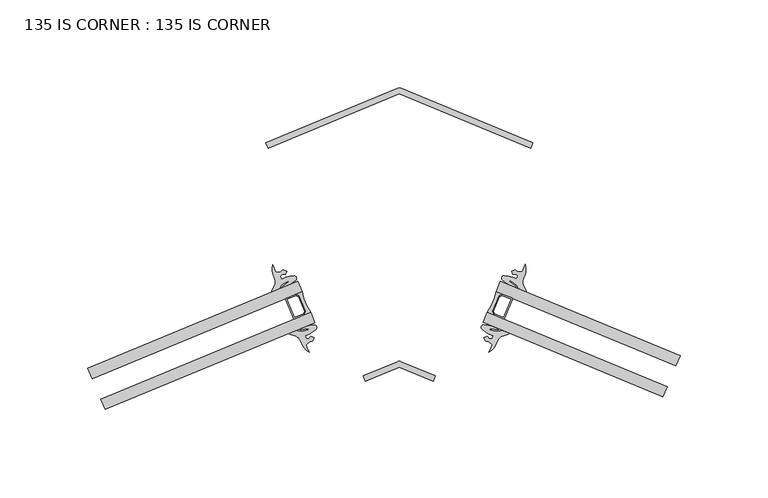
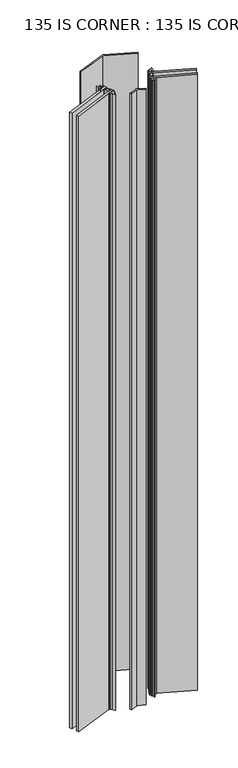
"""IFC4 building model written with IfcOpenShell, lengths in millimetres: plate geometry, 135 IS CORNER : 135 IS CORNER."""

from ifc_helpers import new_model, si_unit, point, frame_2d, origin, origin_with_axes, place, context, project, spatial, polyline, circle_curve, trimmed, segment, composite_curve, outline, extrude, source, transform, mapped, element, save


def plate_135_is_corner_135_is_corner_17a58135(model_context):
    return source(origin(), model_context, "Body", "SweptSolid", [
        extrude(outline(composite_curve([segment(trimmed(circle_curve(frame_2d((-232.9080441, 1.451948)), 25.796875), [point((-258.4393616, -2.2400143))], [point((-253.5837331, -13.9751271))], True, "CARTESIAN"), True, "CONTINUOUS"), segment(polyline([(-253.5837331, -13.9751271), (-257.2509558, -15.492511), (-256.3910203, -13.4186683), (-260.0327417, -4.6173338), (-262.1065844, -3.7573982), (-258.4393616, -2.2400143)]), True, "CONTINUOUS")], self_intersect=False)), origin_with_axes(), (0.0, 0.0, 1.0), 1710.2666667),
        extrude(outline(composite_curve([segment(trimmed(circle_curve(frame_2d((-262.6885445, -16.8834039)), 0.79375), [point((-262.3850677, -17.6168485))], [point((-263.421989, -17.1868807))], False, "CARTESIAN"), True, "CONTINUOUS"), segment(polyline([(-263.421989, -17.1868807), (-267.670664, -6.918657)]), True, "CONTINUOUS"), segment(trimmed(circle_curve(frame_2d((-266.9372194, -6.6151803)), 0.79375), [point((-267.670664, -6.918657))], [point((-267.2406962, -5.8817357))], False, "CARTESIAN"), True, "CONTINUOUS"), segment(polyline([(-267.2406962, -5.8817357), (-262.1065844, -3.7573982), (-260.0327417, -4.6173338), (-256.3910203, -13.4186683), (-257.2509558, -15.492511), (-262.3850677, -17.6168485)]), True, "CONTINUOUS")], self_intersect=False), holes=[polyline([(-266.9372194, -6.6151803), (-262.6885445, -16.8834039), (-257.8582353, -14.8847706), (-257.2501691, -13.4183424), (-260.6404821, -5.2246132), (-262.1069103, -4.616547), (-266.9372194, -6.6151803)])]), origin_with_axes(), (0.0, 0.0, 1.0), 1710.2666667),
        extrude(outline(composite_curve([segment(trimmed(circle_curve(frame_2d((-173.7305241, 1.5370915)), 25.796875), [point((-153.0606885, -13.8978253))], [point((-148.2006089, -2.1645552))], True, "CARTESIAN"), True, "CONTINUOUS"), segment(polyline([(-148.2006089, -2.1645552), (-144.533962, -3.6833301), (-146.6081307, -4.5424789), (-150.2531904, -13.3424314), (-149.3940416, -15.4166001), (-153.0606885, -13.8978253)]), True, "CONTINUOUS")], self_intersect=False)), origin_with_axes(), (0.0, 0.0, 1.0), 1710.2666667),
        extrude(outline(composite_curve([segment(trimmed(circle_curve(frame_2d((-139.7044113, -6.5429443)), 0.79375), [point((-139.4006564, -5.8096149))], [point((-138.971082, -6.8466992))], False, "CARTESIAN"), True, "CONTINUOUS"), segment(polyline([(-138.971082, -6.8466992), (-143.2236516, -17.1133105)]), True, "CONTINUOUS"), segment(trimmed(circle_curve(frame_2d((-143.956981, -16.8095556)), 0.79375), [point((-143.2236516, -17.1133105))], [point((-144.260736, -17.542885))], False, "CARTESIAN"), True, "CONTINUOUS"), segment(polyline([(-144.260736, -17.542885), (-149.3940416, -15.4166001), (-150.2531904, -13.3424314), (-146.6081307, -4.5424789), (-144.533962, -3.6833301), (-139.4006564, -5.8096149)]), True, "CONTINUOUS")], self_intersect=False), holes=[polyline([(-143.956981, -16.8095556), (-139.7044113, -6.5429443), (-144.533962, -4.5424789), (-146.0006208, -5.1499888), (-149.3940416, -13.3424314), (-148.7865317, -14.8090902), (-143.956981, -16.8095556)])]), origin_with_axes(), (0.0, 0.0, 1.0), 1710.2666667),
        extrude(outline(polyline([(-251.1559188, -19.8426835), (-370.491189, -69.2199459), (-372.9190032, -63.3523895), (-253.5837331, -13.9751271), (-251.1559188, -19.8426835)])), origin_with_axes(), (0.0, 0.0, 1.0), 1710.2666667),
        extrude(outline(polyline([(-258.4393616, -2.2400143), (-377.7746318, -51.6172767), (-380.202446, -45.7497204), (-260.8671759, 3.6275421), (-258.4393616, -2.2400143)])), origin_with_axes(), (0.0, 0.0, 1.0), 1710.2666667),
        extrude(outline(polyline([(-53.2945844, -62.0954891), (-155.4907283, -19.7644603), (-153.0606885, -13.8978253), (-50.8645446, -56.2288541), (-53.2945844, -62.0954891)])), origin_with_axes(), (0.0, 0.0, 1.0), 1710.2666667),
        extrude(outline(polyline([(-46.004465, -44.495584), (-148.2006089, -2.1645552), (-145.7705691, 3.7020798), (-43.5744252, -38.628949), (-46.004465, -44.495584)])), origin_with_axes(), (0.0, 0.0, 1.0), 1710.2666667),
        extrude(outline(composite_curve([segment(polyline([(-127.2007753, 82.3429164), (-128.4162952, 79.4098061), (-203.1644423, 110.3696833), (-277.8360454, 79.34693), (-279.0519767, 82.2798698), (-203.9998332, 113.3948159)]), True, "CONTINUOUS"), segment(trimmed(circle_curve(frame_2d((-203.0854528, 111.1892452)), 2.3876), [point((-203.9998332, 113.3948159))], [point((-202.1626282, 113.3912962))], False, "CARTESIAN"), True, "CONTINUOUS"), segment(polyline([(-202.1626282, 113.3912962), (-127.2007753, 82.3429164)]), True, "CONTINUOUS")], self_intersect=False)), origin_with_axes(), (0.0, 0.0, 1.0), 1710.2666667),
        extrude(outline(composite_curve([segment(polyline([(-182.7520712, -50.1642509), (-183.9668782, -53.0976564), (-203.2434176, -45.1331169), (-222.4588771, -53.1132086), (-223.6751462, -50.180409), (-204.12292, -42.0755809)]), True, "CONTINUOUS"), segment(trimmed(circle_curve(frame_2d((-203.2086444, -44.281195)), 2.3876), [point((-204.12292, -42.0755809))], [point((-202.295529, -42.0751003))], False, "CARTESIAN"), True, "CONTINUOUS"), segment(polyline([(-202.295529, -42.0751003), (-182.7520712, -50.1642509)]), True, "CONTINUOUS")], self_intersect=False)), origin_with_axes(), (0.0, 0.0, 1.0), 1710.2666667),
        extrude(outline(composite_curve([segment(trimmed(circle_curve(frame_2d((-262.4102492, -10.768385)), 17.5118633), [point((-250.4988808, -23.6052327))], [point((-254.5253278, -26.4046688))], False, "CARTESIAN"), True, "CONTINUOUS"), segment(polyline([(-254.5253278, -26.4046688), (-256.7714944, -27.3340634), (-256.0592051, -29.0555284), (-254.5877223, -29.0497924), (-253.4556316, -27.5761709), (-251.6053529, -28.4859112), (-252.6052462, -30.4409386), (-254.1254738, -30.6421234), (-256.2147532, -32.4035335), (-255.7372855, -33.8813007), (-254.4543178, -36.6658303)]), True, "CONTINUOUS"), segment(trimmed(circle_curve(frame_2d((-247.8193863, -26.4322234)), 12.196271), [point((-254.4543178, -36.6658303))], [point((-259.2267091, -30.7475466))], False, "CARTESIAN"), True, "CONTINUOUS"), segment(trimmed(circle_curve(frame_2d((-263.831569, -31.9759761)), 4.765897), [point((-259.2267091, -30.7475466))], [point((-261.8851073, -27.6256817))], True, "CARTESIAN"), True, "CONTINUOUS"), segment(polyline([(-261.8851073, -27.6256817), (-265.4168708, -26.4603499)]), True, "CONTINUOUS"), segment(trimmed(circle_curve(frame_2d((-265.241415, -26.1043653)), 0.396875), [point((-265.4168708, -26.4603499))], [point((-265.3931534, -25.737643))], False, "CARTESIAN"), True, "CONTINUOUS"), segment(polyline([(-265.3931534, -25.737643), (-262.3445922, -24.5196667)]), True, "CONTINUOUS"), segment(trimmed(circle_curve(frame_2d((-261.6669984, -26.4283803)), 2.0254186), [point((-262.3445922, -24.5196667))], [point((-261.1428831, -24.4719489))], False, "CARTESIAN"), True, "CONTINUOUS"), segment(polyline([(-261.1428831, -24.4719489), (-259.3624972, -24.7936727)]), True, "CONTINUOUS"), segment(trimmed(circle_curve(frame_2d((-259.4827812, -12.9431255)), 11.8511576), [point((-259.3624972, -24.7936727))], [point((-257.9758736, -24.698089))], True, "CARTESIAN"), True, "CONTINUOUS"), segment(polyline([(-257.9758736, -24.698089), (-254.9500129, -23.9197149)]), True, "CONTINUOUS"), segment(trimmed(circle_curve(frame_2d((-255.0180792, -23.6551134)), 0.2732159), [point((-254.9500129, -23.9197149))], [point((-255.0861454, -23.390512))], True, "CARTESIAN"), True, "CONTINUOUS"), segment(polyline([(-255.0861454, -23.390512), (-259.289212, -23.9467399)]), True, "CONTINUOUS"), segment(trimmed(circle_curve(frame_2d((-259.3510231, -23.6300207)), 0.3226944), [point((-259.289212, -23.9467399))], [point((-259.4850541, -23.3364779))], False, "CARTESIAN"), True, "CONTINUOUS"), segment(polyline([(-259.4850541, -23.3364779), (-256.3342792, -22.0327842)]), True, "CONTINUOUS"), segment(trimmed(circle_curve(frame_2d((-250.6737823, -40.3790674)), 19.1996701), [point((-256.3342792, -22.0327842))], [point((-251.4953405, -21.1969827))], False, "CARTESIAN"), True, "CONTINUOUS"), segment(trimmed(circle_curve(frame_2d((-251.4549225, -22.5905361)), 1.3941395), [point((-251.4953405, -21.1969827))], [point((-250.4988808, -23.6052327))], False, "CARTESIAN"), True, "CONTINUOUS")], self_intersect=False)), origin_with_axes(), (0.0, 0.0, 1.0), 1710.2666667),
        extrude(outline(composite_curve([segment(trimmed(circle_curve(frame_2d((-263.010041, 5.3359449)), 1.3941395), [point((-263.050459, 6.7294984))], [point((-262.0539992, 4.3212483))], False, "CARTESIAN"), True, "CONTINUOUS"), segment(trimmed(circle_curve(frame_2d((-275.0261174, 18.4758052)), 19.1996701), [point((-262.0539992, 4.3212483))], [point((-266.0687928, 1.4936479))], False, "CARTESIAN"), True, "CONTINUOUS"), segment(polyline([(-266.0687928, 1.4936479), (-269.2195677, 0.1899542)]), True, "CONTINUOUS"), segment(trimmed(circle_curve(frame_2d((-269.3321302, 0.4923801)), 0.3226944), [point((-269.2195677, 0.1899542))], [point((-269.5121744, 0.7601781))], False, "CARTESIAN"), True, "CONTINUOUS"), segment(polyline([(-269.5121744, 0.7601781), (-266.1448896, 3.3363286)]), True, "CONTINUOUS"), segment(trimmed(circle_curve(frame_2d((-266.2836824, 3.5716655)), 0.2732159), [point((-266.1448896, 3.3363286))], [point((-266.4224753, 3.8070025))], True, "CARTESIAN"), True, "CONTINUOUS"), segment(polyline([(-266.4224753, 3.8070025), (-269.1136804, 2.2198307)]), True, "CONTINUOUS"), segment(trimmed(circle_curve(frame_2d((-261.874327, -7.1632231)), 11.8511576), [point((-269.1136804, 2.2198307))], [point((-270.1624515, 1.3077231))], True, "CARTESIAN"), True, "CONTINUOUS"), segment(polyline([(-270.1624515, 1.3077231), (-271.1950087, -0.1779101)]), True, "CONTINUOUS"), segment(trimmed(circle_curve(frame_2d((-272.9482513, 0.8362207)), 2.0254186), [point((-271.1950087, -0.1779101))], [point((-272.0791058, -0.9932346))], False, "CARTESIAN"), True, "CONTINUOUS"), segment(polyline([(-272.0791058, -0.9932346), (-275.0969846, -2.2853645)]), True, "CONTINUOUS"), segment(trimmed(circle_curve(frame_2d((-275.248723, -1.9186423)), 0.396875), [point((-275.0969846, -2.2853645))], [point((-275.6244111, -1.790704))], False, "CARTESIAN"), True, "CONTINUOUS"), segment(polyline([(-275.6244111, -1.790704), (-273.948572, 1.5293735)]), True, "CONTINUOUS"), segment(trimmed(circle_curve(frame_2d((-278.39976, 3.2325172)), 4.765897), [point((-273.948572, 1.5293735))], [point((-274.2731915, 5.6168841))], True, "CARTESIAN"), True, "CONTINUOUS"), segment(trimmed(circle_curve(frame_2d((-263.1518006, 10.6232493)), 12.196271), [point((-274.2731915, 5.6168841))], [point((-275.0777246, 13.1769454))], False, "CARTESIAN"), True, "CONTINUOUS"), segment(polyline([(-275.0777246, 13.1769454), (-274.0181423, 10.2999859), (-273.3118728, 8.9168898), (-270.588849, 9.1466627), (-269.3709194, 10.0784431), (-267.2819879, 9.4014763), (-267.9485294, 7.4503532), (-269.7908624, 7.6932497), (-270.8361999, 6.657603), (-270.1239106, 4.936138), (-267.8777441, 5.8655326)]), True, "CONTINUOUS"), segment(trimmed(circle_curve(frame_2d((-262.4093226, -10.7706245)), 17.5118633), [point((-267.8777441, 5.8655326))], [point((-263.050459, 6.7294984))], False, "CARTESIAN"), True, "CONTINUOUS")], self_intersect=False)), origin_with_axes(), (0.0, 0.0, 1.0), 1710.2666667),
        extrude(outline(composite_curve([segment(trimmed(circle_curve(frame_2d((-155.192767, -22.5124262)), 1.3941395), [point((-156.1491935, -23.52676))], [point((-155.1518204, -21.1188881))], False, "CARTESIAN"), True, "CONTINUOUS"), segment(trimmed(circle_curve(frame_2d((-155.9806547, -40.3006598)), 19.1996701), [point((-155.1518204, -21.1188881))], [point((-150.3131991, -21.9565251))], False, "CARTESIAN"), True, "CONTINUOUS"), segment(polyline([(-150.3131991, -21.9565251), (-147.1629189, -23.2614139)]), True, "CONTINUOUS"), segment(trimmed(circle_curve(frame_2d((-147.2970613, -23.5549058)), 0.3226944), [point((-147.1629189, -23.2614139))], [point((-147.3589925, -23.8716016))], False, "CARTESIAN"), True, "CONTINUOUS"), segment(polyline([(-147.3589925, -23.8716016), (-151.5618478, -23.3137794)]), True, "CONTINUOUS"), segment(trimmed(circle_curve(frame_2d((-151.6300144, -23.578355)), 0.2732159), [point((-151.5618478, -23.3137794))], [point((-151.698181, -23.8429306))], True, "CARTESIAN"), True, "CONTINUOUS"), segment(polyline([(-151.698181, -23.8429306), (-148.6726158, -24.6224525)]), True, "CONTINUOUS"), segment(trimmed(circle_curve(frame_2d((-147.1612494, -12.8680615)), 11.8511576), [point((-148.6726158, -24.6224525))], [point((-147.2860286, -24.7185622))], True, "CARTESIAN"), True, "CONTINUOUS"), segment(polyline([(-147.2860286, -24.7185622), (-145.5055208, -24.3975137)]), True, "CONTINUOUS"), segment(trimmed(circle_curve(frame_2d((-144.9821476, -26.3541437)), 2.0254186), [point((-145.5055208, -24.3975137))], [point((-144.3038298, -24.4456874))], False, "CARTESIAN"), True, "CONTINUOUS"), segment(polyline([(-144.3038298, -24.4456874), (-141.2557308, -25.66482)]), True, "CONTINUOUS"), segment(trimmed(circle_curve(frame_2d((-141.4076083, -26.0314847)), 0.396875), [point((-141.2557308, -25.66482))], [point((-141.2322876, -26.3875358))], False, "CARTESIAN"), True, "CONTINUOUS"), segment(polyline([(-141.2322876, -26.3875358), (-144.7644929, -27.5515278)]), True, "CONTINUOUS"), segment(trimmed(circle_curve(frame_2d((-142.8196815, -31.9025602)), 4.765897), [point((-144.7644929, -27.5515278))], [point((-147.4240751, -30.6723841))], True, "CARTESIAN"), True, "CONTINUOUS"), segment(trimmed(circle_curve(frame_2d((-158.8297601, -26.3527341)), 12.196271), [point((-147.4240751, -30.6723841))], [point((-152.1987109, -36.5888571))], False, "CARTESIAN"), True, "CONTINUOUS"), segment(polyline([(-152.1987109, -36.5888571), (-150.9146871, -33.8048144), (-150.4366589, -32.3272284), (-152.5252701, -30.5650259), (-154.0454212, -30.3632644), (-155.0445729, -28.4078579), (-153.1939492, -27.4988195), (-152.0624175, -28.9728703), (-150.590937, -28.9791645), (-149.8779948, -27.2579698), (-152.1238087, -26.3277233)]), True, "CONTINUOUS"), segment(trimmed(circle_curve(frame_2d((-144.2329566, -10.6944316)), 17.5118633), [point((-152.1238087, -26.3277233))], [point((-156.1491935, -23.52676))], False, "CARTESIAN"), True, "CONTINUOUS")], self_intersect=False)), origin_with_axes(), (0.0, 0.0, 1.0), 1710.2666667),
        extrude(outline(composite_curve([segment(trimmed(circle_curve(frame_2d((-144.2338841, -10.6966707)), 17.5118633), [point((-143.5861095, 6.8032077))], [point((-138.7591525, 5.9374109))], False, "CARTESIAN"), True, "CONTINUOUS"), segment(polyline([(-138.7591525, 5.9374109), (-136.5133387, 5.0071644), (-135.8003965, 6.728359), (-136.845341, 7.7644022), (-138.6877661, 7.5222046), (-139.3535674, 9.4735803), (-137.2643793, 10.1497547), (-136.0468032, 9.2175124), (-133.3238667, 8.9867066), (-132.6170726, 10.3695347), (-131.5563991, 13.2460921)]), True, "CONTINUOUS"), segment(trimmed(circle_curve(frame_2d((-143.4832909, 10.69692)), 12.196271), [point((-131.5563991, 13.2460921))], [point((-132.3637999, 5.6863365))], False, "CARTESIAN"), True, "CONTINUOUS"), segment(trimmed(circle_curve(frame_2d((-128.2381361, 3.3004045)), 4.765897), [point((-132.3637999, 5.6863365))], [point((-132.6899699, 1.5989493))], True, "CARTESIAN"), True, "CONTINUOUS"), segment(polyline([(-132.6899699, 1.5989493), (-131.0153902, -1.7217637)]), True, "CONTINUOUS"), segment(trimmed(circle_curve(frame_2d((-131.3911269, -1.8495594)), 0.396875), [point((-131.0153902, -1.7217637))], [point((-131.5430044, -2.2162241))], False, "CARTESIAN"), True, "CONTINUOUS"), segment(polyline([(-131.5430044, -2.2162241), (-134.5603928, -0.9229495)]), True, "CONTINUOUS"), segment(trimmed(circle_curve(frame_2d((-133.6905534, 0.906176)), 2.0254186), [point((-134.5603928, -0.9229495))], [point((-135.4441805, -0.1072896))], False, "CARTESIAN"), True, "CONTINUOUS"), segment(polyline([(-135.4441805, -0.1072896), (-136.4761741, 1.3787351)]), True, "CONTINUOUS"), segment(trimmed(circle_curve(frame_2d((-144.7675113, -7.0890666)), 11.8511576), [point((-136.4761741, 1.3787351))], [point((-137.5245992, 2.2912405))], True, "CARTESIAN"), True, "CONTINUOUS"), segment(polyline([(-137.5245992, 2.2912405), (-140.215202, 3.8794329)]), True, "CONTINUOUS"), segment(trimmed(circle_curve(frame_2d((-140.3540842, 3.6441487)), 0.2732159), [point((-140.215202, 3.8794329))], [point((-140.4929663, 3.4088644))], True, "CARTESIAN"), True, "CONTINUOUS"), segment(polyline([(-140.4929663, 3.4088644), (-137.1266589, 0.8314368)]), True, "CONTINUOUS"), segment(trimmed(circle_curve(frame_2d((-137.3068047, 0.5637071)), 0.3226944), [point((-137.1266589, 0.8314368))], [point((-137.4194818, 0.2613239))], False, "CARTESIAN"), True, "CONTINUOUS"), segment(polyline([(-137.4194818, 0.2613239), (-140.5697621, 1.5662127)]), True, "CONTINUOUS"), segment(trimmed(circle_curve(frame_2d((-131.6059963, 18.5449711)), 19.1996701), [point((-140.5697621, 1.5662127))], [point((-144.5834827, 4.3953359))], False, "CARTESIAN"), True, "CONTINUOUS"), segment(trimmed(circle_curve(frame_2d((-143.6270562, 5.4096697)), 1.3941395), [point((-144.5834827, 4.3953359))], [point((-143.5861095, 6.8032077))], False, "CARTESIAN"), True, "CONTINUOUS")], self_intersect=False)), origin_with_axes(), (0.0, 0.0, 1.0), 1710.2666667),
    ])


if __name__ == "__main__":
    model = new_model("IFC4")
    model_context = context("Model", 3, world=origin())
    ifc_project = project(units=[si_unit("LENGTHUNIT", "METRE", prefix="MILLI")], contexts=[model_context])
    site = spatial("IfcSite", under=ifc_project)
    building = spatial("IfcBuilding", under=site)
    placement = place(None, origin())
    plate_135_is_corner_135_is_corner_shape = plate_135_is_corner_135_is_corner_17a58135(model_context)
    element("IfcPlate", 1, ObjectType="135 IS CORNER : 135 IS CORNER", at=placement, inside=building, context=model_context, shape_type="MappedRepresentation", body=[
        mapped(plate_135_is_corner_135_is_corner_shape, transform((0.0, 0.0, 0.0), x_axis=(1.0, 0.0, 0.0), y_axis=(0.0, 1.0, 0.0), z_axis=(0.0, 0.0, 1.0))),
    ])
    save(model, "model.ifc")
